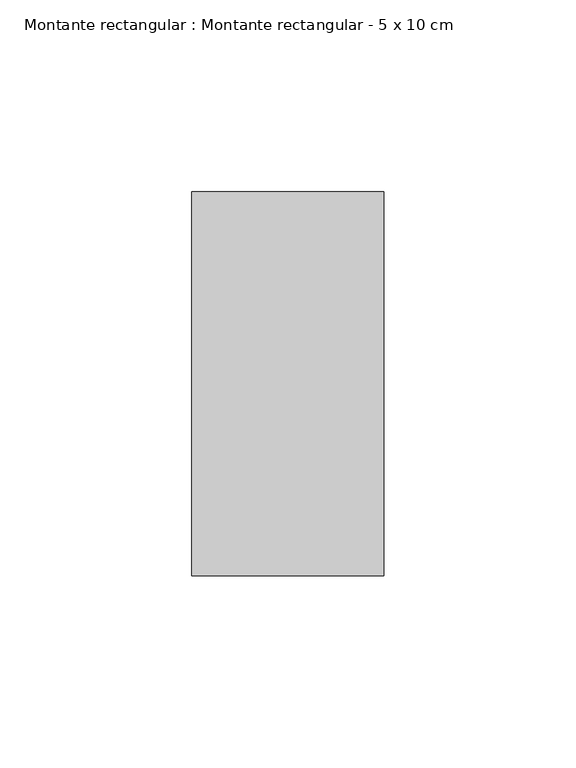
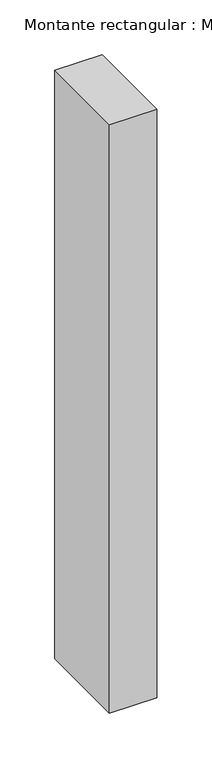
"""IFC4 building model written with IfcOpenShell, lengths in millimetres: member geometry, Montante rectangular : Montante rectangular - 5 x 10 cm."""

from ifc_helpers import new_model, si_unit, frame, origin, place, context, project, spatial, polyline, outline, extrude, source, transform, mapped, element, save


def montante_rectangular_montante_rectangular_5_x_10_cm_0d7db2ba(model_context):
    return source(origin(), model_context, "Body", "SweptSolid", [
        extrude(outline(polyline([(0.0, 50.0), (0.0, -50.0), (-50.0, -50.0), (-50.0, 50.0), (0.0, 50.0)])), frame((0.0, 0.0, -656.0), z_axis=(0.0, 0.0, 1.0), x_axis=(1.0, 0.0, 0.0)), (0.0, 0.0, 1.0), 656.0),
    ])


if __name__ == "__main__":
    model = new_model("IFC4")
    model_context = context("Model", 3, world=origin())
    ifc_project = project(units=[si_unit("LENGTHUNIT", "METRE", prefix="MILLI")], contexts=[model_context])
    site = spatial("IfcSite", under=ifc_project)
    building = spatial("IfcBuilding", under=site)
    placement = place(None, origin())
    montante_rectangular_montante_rectangular_5_x_10_cm_shape = montante_rectangular_montante_rectangular_5_x_10_cm_0d7db2ba(model_context)
    element("IfcMember", 1, ObjectType="Montante rectangular : Montante rectangular - 5 x 10 cm", at=placement, inside=building, context=model_context, shape_type="MappedRepresentation", body=[
        mapped(montante_rectangular_montante_rectangular_5_x_10_cm_shape, transform((0.0, 0.0, 0.0), x_axis=(1.0, 0.0, 0.0), y_axis=(0.0, 1.0, 0.0), z_axis=(0.0, 0.0, 1.0))),
    ])
    save(model, "model.ifc")
